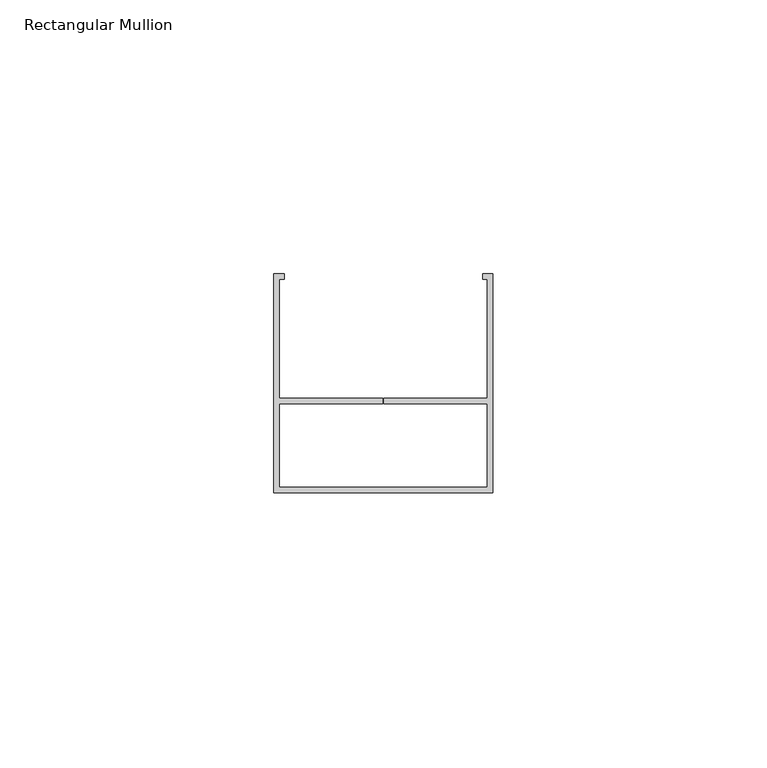
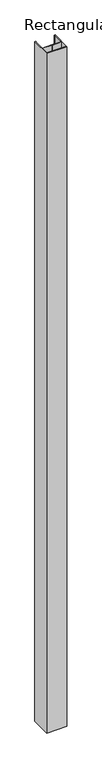
"""IFC4 building model written with IfcOpenShell, lengths in millimetres: member geometry, Rectangular Mullion."""

from ifc_helpers import new_model, si_unit, frame, origin, place, context, project, spatial, polyline, outline, extrude, source, transform, mapped, element, save


def rectangular_mullion_960b1b43(model_context):
    return source(origin(), model_context, "Body", "SweptSolid", [
        extrude(outline(polyline([(0.0, -20.0), (-40.0, -20.0), (-40.0, 20.0), (-38.121247, 20.0), (-38.121247, 19.0), (-39.0, 19.0), (-39.0, -2.6912936), (-20.0940207, -2.6912936), (-20.0940207, -3.6912936), (-39.0, -3.6912936), (-39.0, -19.0), (-1.0, -19.0), (-1.0, -3.6912936), (-19.9065207, -3.6912936), (-19.9065207, -2.6912936), (-1.0, -2.6912936), (-1.0, 19.0), (-1.8543362, 19.0), (-1.8543362, 20.0), (0.0, 20.0), (0.0, -20.0)])), frame((0.0, 0.0, -1416.6), z_axis=(0.0, 0.0, 1.0), x_axis=(1.0, 0.0, 0.0)), (0.0, 0.0, 1.0), 1416.6),
    ])


if __name__ == "__main__":
    model = new_model("IFC4")
    model_context = context("Model", 3, world=origin())
    ifc_project = project(units=[si_unit("LENGTHUNIT", "METRE", prefix="MILLI")], contexts=[model_context])
    site = spatial("IfcSite", under=ifc_project)
    building = spatial("IfcBuilding", under=site)
    placement = place(None, origin())
    rectangular_mullion_shape = rectangular_mullion_960b1b43(model_context)
    element("IfcMember", 1, ObjectType="Rectangular Mullion", at=placement, inside=building, context=model_context, shape_type="MappedRepresentation", body=[
        mapped(rectangular_mullion_shape, transform((0.0, 0.0, 0.0), x_axis=(1.0, 0.0, 0.0), y_axis=(0.0, 1.0, 0.0), z_axis=(0.0, 0.0, 1.0))),
    ])
    save(model, "model.ifc")
